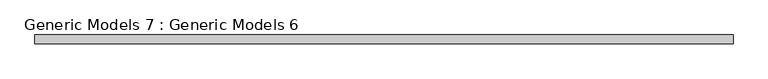
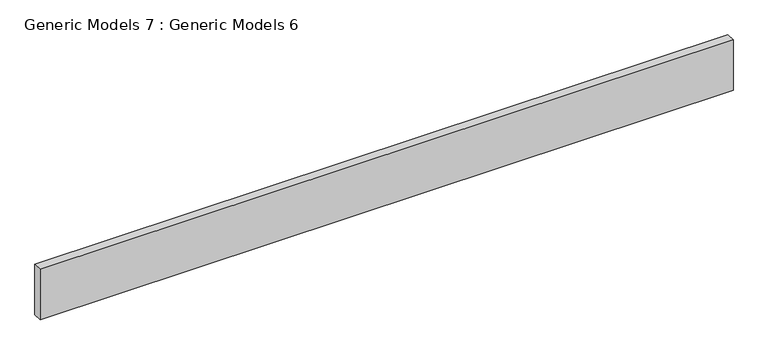
"""IFC4 building model written with IfcOpenShell, lengths in millimetres: proxy geometry, Generic Models 7 : Generic Models 6."""

from ifc_helpers import new_model, si_unit, frame, origin, place, context, project, spatial, polyline, outline, extrude, source, transform, mapped, element, save


def generic_models_7_generic_models_6_a6d05197(model_context):
    return source(origin(), model_context, "Body", "SweptSolid", [
        extrude(outline(polyline([(3529.632522, -31819.9202609), (3529.632522, -31794.5202609), (5520.7674664, -31794.5202609), (5520.7674664, -31819.9202609), (3529.632522, -31819.9202609)])), frame((0.0, 0.0, 31648.4), z_axis=(0.0, 0.0, 1.0), x_axis=(1.0, 0.0, 0.0)), (0.0, 0.0, 1.0), 152.4),
    ])


if __name__ == "__main__":
    model = new_model("IFC4")
    model_context = context("Model", 3, world=origin())
    ifc_project = project(units=[si_unit("LENGTHUNIT", "METRE", prefix="MILLI")], contexts=[model_context])
    site = spatial("IfcSite", under=ifc_project)
    building = spatial("IfcBuilding", under=site)
    placement = place(None, origin())
    generic_models_7_generic_models_6_shape = generic_models_7_generic_models_6_a6d05197(model_context)
    element("IfcBuildingElementProxy", 1, Name="Generic Models 7 : Generic Models 6", ObjectType="Generic Models 7 : Generic Models 6", at=placement, inside=building, context=model_context, shape_type="MappedRepresentation", body=[
        mapped(generic_models_7_generic_models_6_shape, transform((0.0, 0.0, 0.0), x_axis=(1.0, 0.0, 0.0), y_axis=(0.0, 1.0, 0.0), z_axis=(0.0, 0.0, 1.0))),
    ])
    save(model, "model.ifc")
